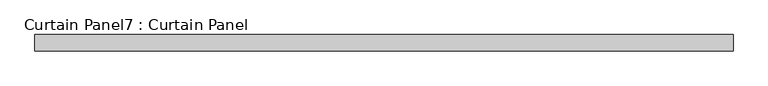
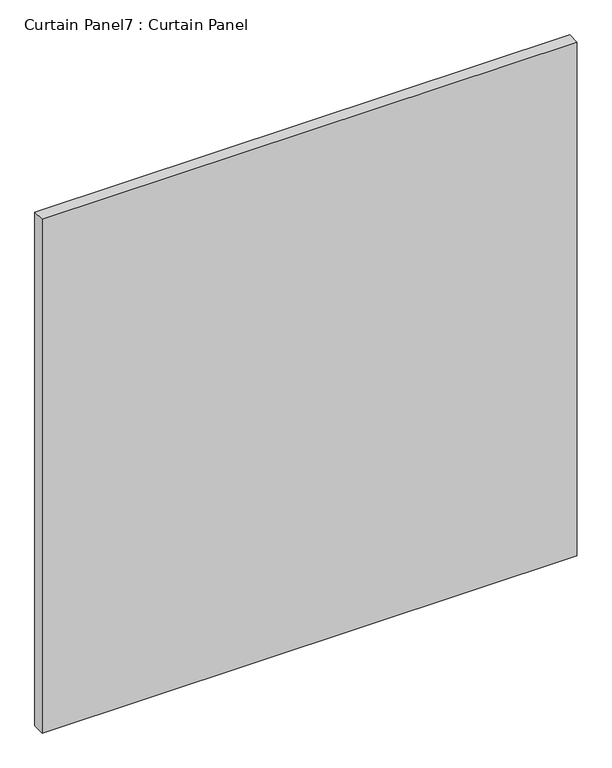
"""IFC4 building model written with IfcOpenShell, lengths in millimetres: plate geometry, Curtain Panel7 : Curtain Panel."""

from ifc_helpers import new_model, si_unit, frame, origin, place, context, project, spatial, polyline, outline, extrude, source, transform, mapped, element, save


def curtain_panel7_curtain_panel_47a831de(model_context):
    return source(origin(), model_context, "Body", "SweptSolid", [
        extrude(outline(polyline([(-289723.9024652, 3163.0425864), (-290816.1024652, 3163.0425864), (-290816.1024652, 3188.4425864), (-289723.9024652, 3188.4425864), (-289723.9024652, 3163.0425864)])), frame((0.0, 0.0, -1201.7375), z_axis=(0.0, 0.0, 1.0), x_axis=(1.0, 0.0, 0.0)), (0.0, 0.0, 1.0), 1108.0750003),
    ])


if __name__ == "__main__":
    model = new_model("IFC4")
    model_context = context("Model", 3, world=origin())
    ifc_project = project(units=[si_unit("LENGTHUNIT", "METRE", prefix="MILLI")], contexts=[model_context])
    site = spatial("IfcSite", under=ifc_project)
    building = spatial("IfcBuilding", under=site)
    placement = place(None, origin())
    curtain_panel7_curtain_panel_shape = curtain_panel7_curtain_panel_47a831de(model_context)
    element("IfcPlate", 1, ObjectType="Curtain Panel7 : Curtain Panel", at=placement, inside=building, context=model_context, shape_type="MappedRepresentation", body=[
        mapped(curtain_panel7_curtain_panel_shape, transform((0.0, 0.0, 0.0), x_axis=(1.0, 0.0, 0.0), y_axis=(0.0, 1.0, 0.0), z_axis=(0.0, 0.0, 1.0))),
    ])
    save(model, "model.ifc")
